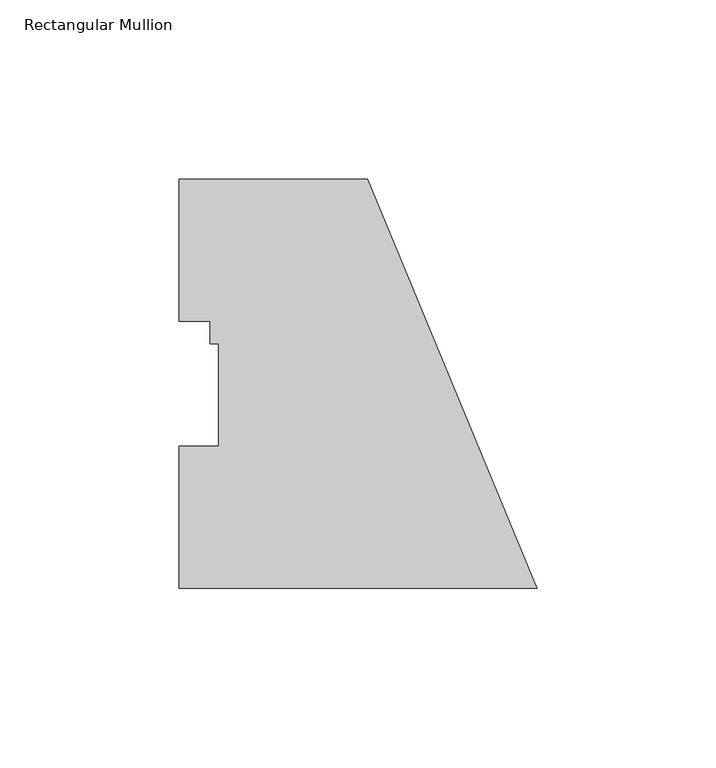
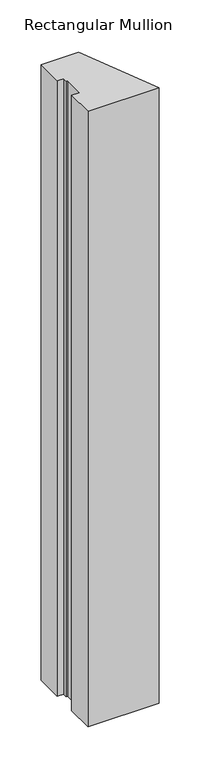
"""IFC4 building model written with IfcOpenShell, lengths in millimetres: member geometry, Rectangular Mullion."""

from ifc_helpers import new_model, si_unit, frame, origin, place, context, project, spatial, polyline, outline, extrude, source, transform, mapped, element, save


def rectangular_mullion_debe10cb(model_context):
    return source(origin(), model_context, "Body", "SweptSolid", [
        extrude(outline(polyline([(0.0, -0.028575), (-100.0125, -0.028575), (-100.0125, 39.646225), (-88.9, 39.646225), (-88.9, 68.246625), (-91.2749, 68.246625), (-91.2749, 74.596625), (-100.0125, 74.596625), (-100.0125, 114.271425), (-47.3446102, 114.271425), (0.0, -0.028575)])), frame((0.0, 0.0, -914.4), z_axis=(0.0, 0.0, 1.0), x_axis=(1.0, 0.0, 0.0)), (0.0, 0.0, 1.0), 914.4),
    ])


if __name__ == "__main__":
    model = new_model("IFC4")
    model_context = context("Model", 3, world=origin())
    ifc_project = project(units=[si_unit("LENGTHUNIT", "METRE", prefix="MILLI")], contexts=[model_context])
    site = spatial("IfcSite", under=ifc_project)
    building = spatial("IfcBuilding", under=site)
    placement = place(None, origin())
    rectangular_mullion_shape = rectangular_mullion_debe10cb(model_context)
    element("IfcMember", 1, ObjectType="Rectangular Mullion", at=placement, inside=building, context=model_context, shape_type="MappedRepresentation", body=[
        mapped(rectangular_mullion_shape, transform((0.0, 0.0, 0.0), x_axis=(1.0, 0.0, 0.0), y_axis=(0.0, 1.0, 0.0), z_axis=(0.0, 0.0, 1.0))),
    ])
    save(model, "model.ifc")
